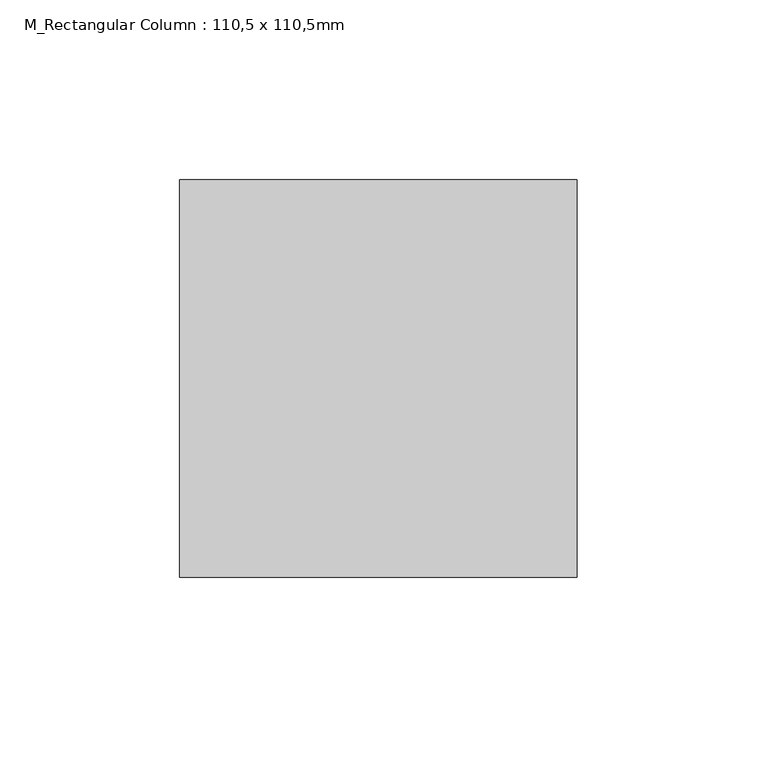
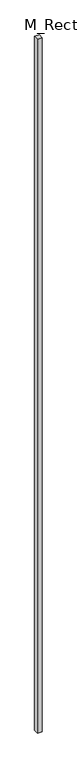
"""IFC4 building model written with IfcOpenShell, lengths in millimetres: column geometry, M_Rectangular Column : 110,5 x 110,5mm."""

import ifcopenshell
import ifcopenshell.guid

model = None  # the IFC model being written
_history = None  # IfcOwnerHistory: only IFC2X3 demands one
_inside = {}  # id of a spatial element -> (the spatial element, [elements in it])
_under = {}  # id of a project, library or spatial element -> (it, [spatial elements below it])
_declared = {}  # id of a project -> (the project, [libraries it declares])
_typed = {}  # id of a type object -> (the type object, [elements of that type])
_made_of = {}  # id of a material, layer set ... -> (it, [elements and type objects made of it])


def new_model(schema):
    """Start an empty IFC model of exactly this schema.

    Asked for "IFC4X3", IfcOpenShell would pick the latest addendum, in which some entities
    have other attributes; the version numbers below select the first issue.
    IFC2X3 requires an IfcOwnerHistory on every rooted entity: one is made here for all.
    """
    global model, _history
    if schema == "IFC4X3":
        model = ifcopenshell.file(schema_version=(4, 3, 0, 0))
    else:
        model = ifcopenshell.file(schema=schema)
    _inside.clear()
    _under.clear()
    _declared.clear()
    _typed.clear()
    _made_of.clear()
    _history = None
    if model.schema == "IFC2X3":
        org = make("IfcOrganization", Name="unknown")
        user = make(
            "IfcPersonAndOrganization",
            ThePerson=make("IfcPerson", FamilyName="unknown"),
            TheOrganization=org,
        )
        app = make(
            "IfcApplication",
            ApplicationDeveloper=org,
            Version="unknown",
            ApplicationFullName="unknown",
            ApplicationIdentifier="unknown",
        )
        _history = make(
            "IfcOwnerHistory",
            OwningUser=user,
            OwningApplication=app,
            ChangeAction="ADDED",
            CreationDate=0,
        )
    return model


def make(cls, **values):
    """One entity of the class cls with the attributes given. An attribute that is None is left unset."""
    return model.create_entity(
        cls, **{name: value for name, value in values.items() if value is not None}
    )


def rooted(cls, **values):
    """An entity with a GlobalId (a new one), such as an element, a storey or a relation."""
    return make(cls, GlobalId=ifcopenshell.guid.new(), OwnerHistory=_history, **values)


def si_unit(unit_type, name, prefix=None):
    """IfcSIUnit, for example si_unit("LENGTHUNIT", "METRE", prefix="MILLI")."""
    return make("IfcSIUnit", UnitType=unit_type, Prefix=prefix, Name=name)


def assignment(units):
    """IfcUnitAssignment: the units of a project."""
    return None if units is None else make("IfcUnitAssignment", Units=units)


def point(xyz):
    """IfcCartesianPoint."""
    return None if xyz is None else make("IfcCartesianPoint", Coordinates=xyz)


def direction(xyz):
    """IfcDirection."""
    return None if xyz is None else make("IfcDirection", DirectionRatios=xyz)


def frame(location, z_axis=None, x_axis=None):
    """IfcAxis2Placement3D, a coordinate frame: its origin and axes. An axis left out is left unset."""
    return make(
        "IfcAxis2Placement3D",
        Location=point(location),
        Axis=direction(z_axis),
        RefDirection=direction(x_axis),
    )


def origin():
    """The frame at (0, 0, 0) with its axes left unset."""
    return frame((0.0, 0.0, 0.0))


def place(relative_to, where):
    """IfcLocalPlacement: puts the frame where relative to a parent placement (None: the world)."""
    return make(
        "IfcLocalPlacement", PlacementRelTo=relative_to, RelativePlacement=where
    )


def context(
    kind, dimensions, precision=None, world=None, true_north=None, identifier=None
):
    """IfcGeometricRepresentationContext, for example the 3D "Model" context."""
    return make(
        "IfcGeometricRepresentationContext",
        ContextIdentifier=identifier,
        ContextType=kind,
        CoordinateSpaceDimension=dimensions,
        Precision=precision,
        WorldCoordinateSystem=world,
        TrueNorth=true_north,
    )


def project(units=None, contexts=None):
    """IfcProject with its units and contexts."""
    return rooted(
        "IfcProject",
        Name="project",
        RepresentationContexts=contexts,
        UnitsInContext=assignment(units),
    )


def spatial(cls, under=None, at=None, **own):
    """A site, building, storey or space (cls), placed at a placement, below another one or the project."""
    s = rooted(cls, ObjectPlacement=at, **own)
    if under is not None:
        _under.setdefault(under.id(), (under, []))[1].append(s)
    return s


def polyline(points):
    """IfcPolyline through the points."""
    return make("IfcPolyline", Points=[point(p) for p in points])


def outline(outer, holes=None, kind="AREA"):
    """IfcArbitraryClosedProfileDef: a profile drawn as a closed curve; with holes, ...WithVoids."""
    if holes is None:
        return make("IfcArbitraryClosedProfileDef", ProfileType=kind, OuterCurve=outer)
    return make(
        "IfcArbitraryProfileDefWithVoids",
        ProfileType=kind,
        OuterCurve=outer,
        InnerCurves=holes,
    )


def extrude(swept, where, along, depth):
    """IfcExtrudedAreaSolid: the profile swept, set in the frame where, extruded along a direction by depth."""
    return make(
        "IfcExtrudedAreaSolid",
        SweptArea=swept,
        Position=where,
        ExtrudedDirection=direction(along),
        Depth=depth,
    )


def shape(context_of_items, identifier, shape_type, items):
    """IfcShapeRepresentation: the items that make up one representation, for example the "Body"."""
    return make(
        "IfcShapeRepresentation",
        ContextOfItems=context_of_items,
        RepresentationIdentifier=identifier,
        RepresentationType=shape_type,
        Items=items,
    )


def source(mapping_origin, context_of_items, identifier, shape_type, items):
    """IfcRepresentationMap: a shape defined once, which mapped items show again and again."""
    return make(
        "IfcRepresentationMap",
        MappingOrigin=mapping_origin,
        MappedRepresentation=shape(context_of_items, identifier, shape_type, items),
    )


def transform(
    local_origin,
    x_axis=None,
    y_axis=None,
    z_axis=None,
    scale=None,
    scale2=None,
    scale3=None,
    uniform=True,
):
    """IfcCartesianTransformationOperator3D, or its non-uniform kind. x_axis, y_axis, z_axis: its Axis1, 2, 3."""
    if uniform:
        return make(
            "IfcCartesianTransformationOperator3D",
            Axis1=direction(x_axis),
            Axis2=direction(y_axis),
            LocalOrigin=point(local_origin),
            Scale=scale,
            Axis3=direction(z_axis),
        )
    return make(
        "IfcCartesianTransformationOperator3DnonUniform",
        Axis1=direction(x_axis),
        Axis2=direction(y_axis),
        LocalOrigin=point(local_origin),
        Scale=scale,
        Axis3=direction(z_axis),
        Scale2=scale2,
        Scale3=scale3,
    )


def mapped(mapping_source, mapping_target):
    """IfcMappedItem: shows the shape of a source again, moved by a transform."""
    return make(
        "IfcMappedItem", MappingSource=mapping_source, MappingTarget=mapping_target
    )


def made_of(thing, what):
    """Note that an element or type object is made of a material, layer set ...; save() writes the relation."""
    if what is not None:
        _made_of.setdefault(what.id(), (what, []))[1].append(thing)
    return thing


def element(
    cls,
    number,
    at=None,
    inside=None,
    cuts=None,
    type_object=None,
    material=None,
    context=None,
    identifier="Body",
    shape_type=None,
    held_by="IfcProductDefinitionShape",
    body=None,
    shapes=None,
    **own,
):
    """One element of the class cls, such as IfcWall. Its Tag is "e" and its number.

    at: its placement. inside: the storey or other place that contains it. cuts: it is an
    opening in that element (IfcRelVoidsElement). A single representation is given by context,
    identifier, shape_type and body (its items); several are given by shapes. held_by: the class
    of the entity that holds the representations. save() writes the other relations.
    """
    e = rooted(cls, Tag="e%d" % number, ObjectPlacement=at, **own)
    if body is not None:
        shapes = [shape(context, identifier, shape_type, body)]
    if shapes is not None:
        e.Representation = make(held_by, Representations=shapes)
    if inside is not None:
        _inside.setdefault(inside.id(), (inside, []))[1].append(e)
    if cuts is not None:
        rooted(
            "IfcRelVoidsElement", RelatingBuildingElement=cuts, RelatedOpeningElement=e
        )
    if type_object is not None:
        _typed.setdefault(type_object.id(), (type_object, []))[1].append(e)
    return made_of(e, material)


def aggregate(whole, parts):
    """IfcRelAggregates: a whole, such as a stair, and the parts it consists of."""
    return rooted("IfcRelAggregates", RelatingObject=whole, RelatedObjects=parts)


def save(model, path):
    """Write the relations noted so far, then the file.

    IfcRelAggregates (storeys below a building ...), IfcRelContainedInSpatialStructure (elements
    in a storey), IfcRelDefinesByType, IfcRelAssociatesMaterial and IfcRelDeclares: one each for
    every whole, place, type object, material and project.
    """
    for whole, parts in _under.values():
        aggregate(whole, parts)
    for where, things in _inside.values():
        rooted(
            "IfcRelContainedInSpatialStructure",
            RelatedElements=things,
            RelatingStructure=where,
        )
    for kind, things in _typed.values():
        rooted("IfcRelDefinesByType", RelatedObjects=things, RelatingType=kind)
    for what, things in _made_of.values():
        rooted("IfcRelAssociatesMaterial", RelatedObjects=things, RelatingMaterial=what)
    for by, libraries in _declared.values():
        rooted("IfcRelDeclares", RelatingContext=by, RelatedDefinitions=libraries)
    model.write(path)


def m_rectangular_column_110_5_x_110_5mm_9907057e(model_context):
    return source(origin(), model_context, "Body", "SweptSolid", [
        extrude(outline(polyline([(55.25, 55.25), (55.25, -55.25), (-55.25, -55.25), (-55.25, 55.25), (55.25, 55.25)])), frame((0.0, 0.0, 5020.0), z_axis=(0.0, 0.0, 1.0), x_axis=(1.0, 0.0, 0.0)), (0.0, 0.0, 1.0), 17090.0),
    ])


if __name__ == "__main__":
    model = new_model("IFC4")
    model_context = context("Model", 3, world=origin())
    ifc_project = project(units=[si_unit("LENGTHUNIT", "METRE", prefix="MILLI")], contexts=[model_context])
    site = spatial("IfcSite", under=ifc_project)
    building = spatial("IfcBuilding", under=site)
    placement = place(None, origin())
    m_rectangular_column_110_5_x_110_5mm_shape = m_rectangular_column_110_5_x_110_5mm_9907057e(model_context)
    element("IfcColumn", 1, ObjectType="M_Rectangular Column : 110,5 x 110,5mm", at=placement, inside=building, context=model_context, shape_type="MappedRepresentation", body=[
        mapped(m_rectangular_column_110_5_x_110_5mm_shape, transform((0.0, 0.0, 0.0), x_axis=(1.0, 0.0, 0.0), y_axis=(0.0, 1.0, 0.0), z_axis=(0.0, 0.0, 1.0))),
    ])
    save(model, "model.ifc")
